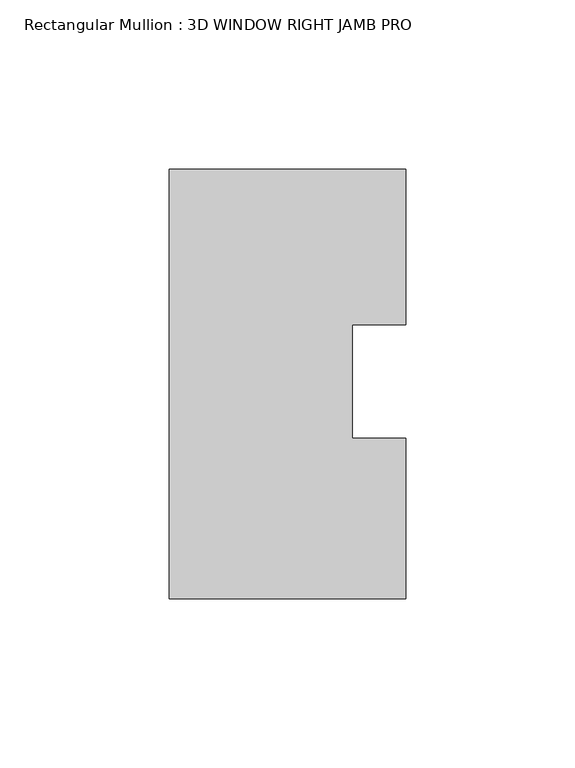
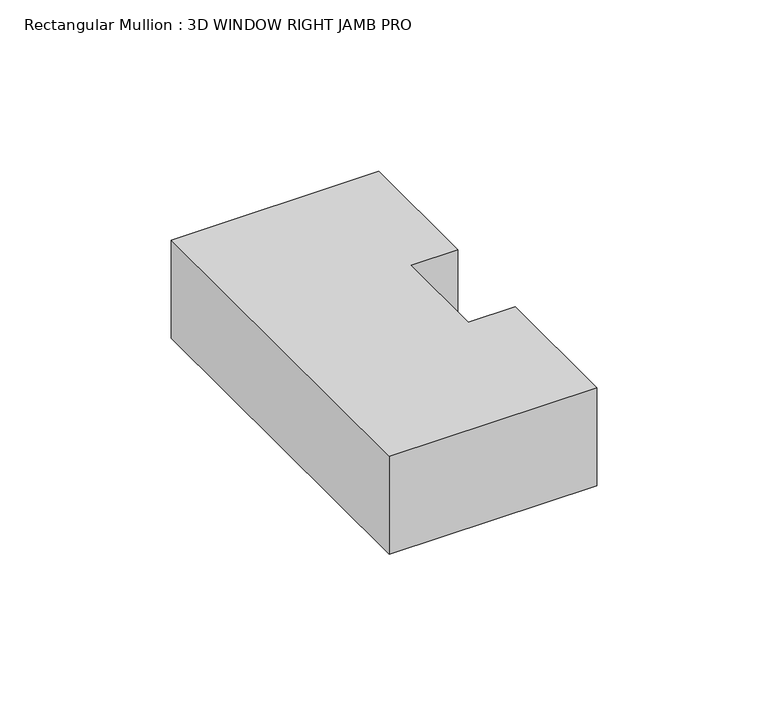
"""IFC4 building model written with IfcOpenShell, lengths in millimetres: member geometry, Rectangular Mullion : 3D WINDOW RIGHT JAMB PRO."""

from ifc_helpers import new_model, si_unit, frame, origin, place, context, project, spatial, polyline, outline, extrude, source, transform, mapped, element, save


def rectangular_mullion_3d_window_right_jamb_pro_f01230a3(model_context):
    return source(origin(), model_context, "Body", "SweptSolid", [
        extrude(outline(polyline([(34.9711582, -63.5), (-34.9711582, -63.5), (-34.9711582, 63.5), (34.9711582, 63.5), (34.9711582, 17.5167003), (19.0961582, 17.5167003), (19.0961582, -16.0459314), (34.9711582, -16.0459314), (34.9711582, -63.5)])), frame((0.0, 0.0, -34.925), z_axis=(0.0, 0.0, 1.0), x_axis=(1.0, 0.0, 0.0)), (0.0, 0.0, 1.0), 34.925),
    ])


if __name__ == "__main__":
    model = new_model("IFC4")
    model_context = context("Model", 3, world=origin())
    ifc_project = project(units=[si_unit("LENGTHUNIT", "METRE", prefix="MILLI")], contexts=[model_context])
    site = spatial("IfcSite", under=ifc_project)
    building = spatial("IfcBuilding", under=site)
    placement = place(None, origin())
    rectangular_mullion_3d_window_right_jamb_pro_shape = rectangular_mullion_3d_window_right_jamb_pro_f01230a3(model_context)
    element("IfcMember", 1, ObjectType="Rectangular Mullion : 3D WINDOW RIGHT JAMB PRO", at=placement, inside=building, context=model_context, shape_type="MappedRepresentation", body=[
        mapped(rectangular_mullion_3d_window_right_jamb_pro_shape, transform((0.0, 0.0, 0.0), x_axis=(1.0, 0.0, 0.0), y_axis=(0.0, 1.0, 0.0), z_axis=(0.0, 0.0, 1.0))),
    ])
    save(model, "model.ifc")
